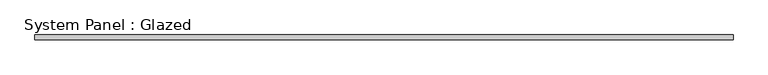
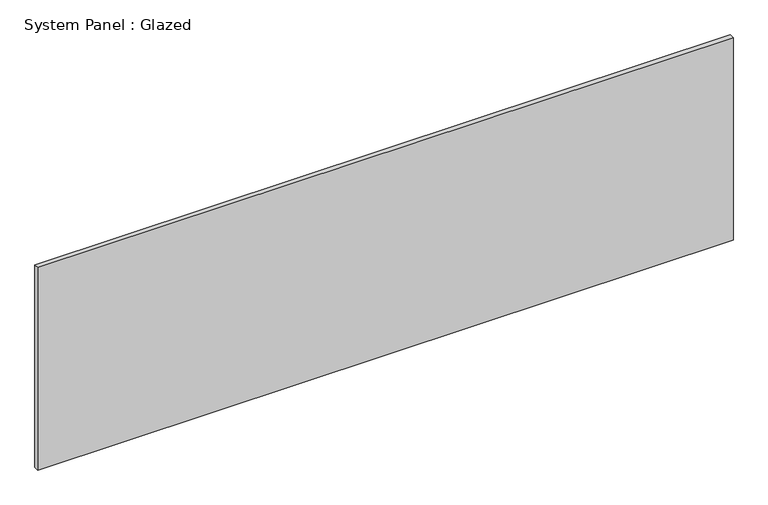
"""IFC4 building model written with IfcOpenShell, lengths in millimetres: plate geometry, System Panel : Glazed."""

from ifc_helpers import new_model, si_unit, origin, origin_with_axes, place, context, project, spatial, polyline, outline, extrude, source, transform, mapped, element, save


def system_panel_glazed_66e06bda(model_context):
    return source(origin(), model_context, "Body", "SweptSolid", [
        extrude(outline(polyline([(1876.0262313, 19.05), (-1876.0262313, 19.05), (-1876.0262313, 44.45), (1876.0262313, 44.45), (1876.0262313, 19.05)])), origin_with_axes(), (0.0, 0.0, 1.0), 1155.7),
    ])


if __name__ == "__main__":
    model = new_model("IFC4")
    model_context = context("Model", 3, world=origin())
    ifc_project = project(units=[si_unit("LENGTHUNIT", "METRE", prefix="MILLI")], contexts=[model_context])
    site = spatial("IfcSite", under=ifc_project)
    building = spatial("IfcBuilding", under=site)
    placement = place(None, origin())
    system_panel_glazed_shape = system_panel_glazed_66e06bda(model_context)
    element("IfcPlate", 1, ObjectType="System Panel : Glazed", at=placement, inside=building, context=model_context, shape_type="MappedRepresentation", body=[
        mapped(system_panel_glazed_shape, transform((0.0, 0.0, 0.0), x_axis=(1.0, 0.0, 0.0), y_axis=(0.0, 1.0, 0.0), z_axis=(0.0, 0.0, 1.0))),
    ])
    save(model, "model.ifc")
